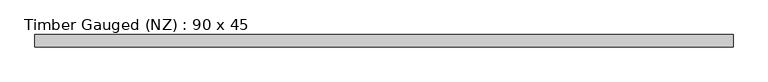
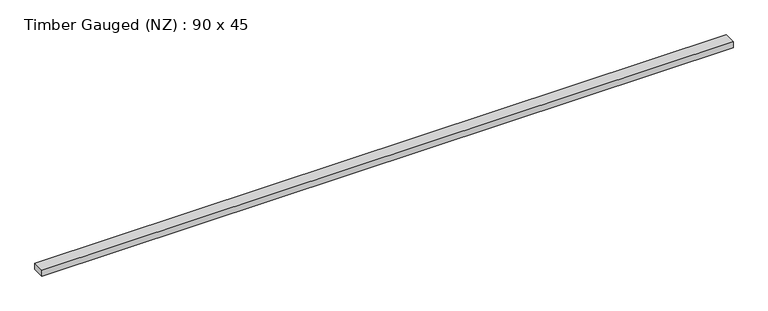
"""IFC4 building model written with IfcOpenShell, lengths in millimetres: beam geometry, Timber Gauged (NZ) : 90 x 45."""

from ifc_helpers import new_model, si_unit, frame, origin, place, context, project, spatial, polyline, outline, extrude, source, transform, mapped, element, save


def timber_gauged_nz_90_x_45_95d2d74a(model_context):
    return source(origin(), model_context, "Body", "SweptSolid", [
        extrude(outline(polyline([(2547.5, 45.0), (2547.5, -45.0), (-2547.5, -45.0), (-2547.5, 45.0), (2547.5, 45.0)])), frame((0.0, 0.0, -22.5), z_axis=(0.0, 0.0, 1.0), x_axis=(1.0, 0.0, 0.0)), (0.0, 0.0, 1.0), 45.0),
    ])


if __name__ == "__main__":
    model = new_model("IFC4")
    model_context = context("Model", 3, world=origin())
    ifc_project = project(units=[si_unit("LENGTHUNIT", "METRE", prefix="MILLI")], contexts=[model_context])
    site = spatial("IfcSite", under=ifc_project)
    building = spatial("IfcBuilding", under=site)
    placement = place(None, origin())
    timber_gauged_nz_90_x_45_shape = timber_gauged_nz_90_x_45_95d2d74a(model_context)
    element("IfcBeam", 1, ObjectType="Timber Gauged (NZ) : 90 x 45", at=placement, inside=building, context=model_context, shape_type="MappedRepresentation", body=[
        mapped(timber_gauged_nz_90_x_45_shape, transform((0.0, 0.0, 0.0), x_axis=(1.0, 0.0, 0.0), y_axis=(0.0, 1.0, 0.0), z_axis=(0.0, 0.0, 1.0))),
    ])
    save(model, "model.ifc")
